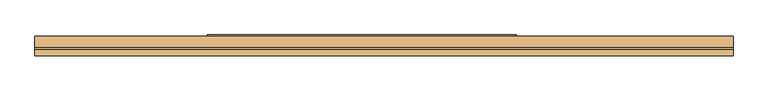
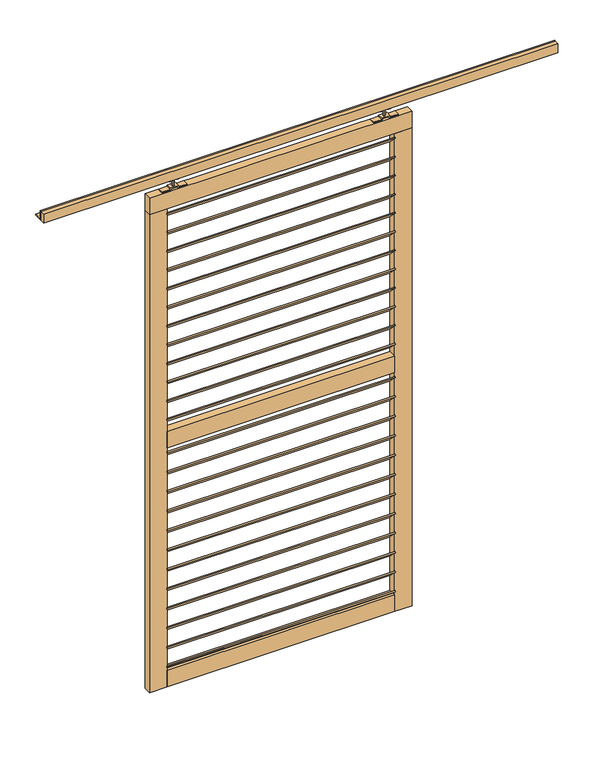
"""IFC4 building model written with IfcOpenShell, lengths in millimetres: door geometry."""

from ifc_helpers import new_model, si_unit, point, frame, frame_2d, origin, place, context, project, spatial, polyline, circle_curve, trimmed, segment, composite_curve, outline, extrude, source, transform, mapped, element, save


def door_3130aeb5(model_context):
    return source(origin(), model_context, "Body", "SweptSolid", [
        extrude(outline(polyline([(0.0, 60.0), (1040.0, 60.0), (1040.0, 0.0), (0.0, 0.0), (0.0, 60.0)])), frame((-522.5, -18.2383967, 2238.0363456), z_axis=(0.0, 0.707106781186547, 0.7071067811865482), x_axis=(1.0, 0.0, 0.0)), (0.0, 0.0, 1.0), 5.0),
        extrude(outline(polyline([(0.0, 60.0), (1040.0, 60.0), (1040.0, 0.0), (0.0, 0.0), (0.0, 60.0)])), frame((-522.5, -18.2383967, 1079.8999819), z_axis=(0.0, 0.707106781186547, 0.7071067811865482), x_axis=(1.0, 0.0, 0.0)), (0.0, 0.0, 1.0), 5.0),
        extrude(outline(polyline([(0.0, 60.0), (1040.0, 60.0), (1040.0, 0.0), (0.0, 0.0), (0.0, 60.0)])), frame((-522.5, -18.2383967, 2147.6272547), z_axis=(0.0, 0.707106781186547, 0.7071067811865482), x_axis=(1.0, 0.0, 0.0)), (0.0, 0.0, 1.0), 5.0),
        extrude(outline(polyline([(0.0, 60.0), (1040.0, 60.0), (1040.0, 0.0), (0.0, 0.0), (0.0, 60.0)])), frame((-522.5, -18.2383967, 2057.2181638), z_axis=(0.0, 0.707106781186547, 0.7071067811865482), x_axis=(1.0, 0.0, 0.0)), (0.0, 0.0, 1.0), 5.0),
        extrude(outline(polyline([(0.0, 60.0), (1040.0, 60.0), (1040.0, 0.0), (0.0, 0.0), (0.0, 60.0)])), frame((-522.5, -18.2383967, 1966.8090728), z_axis=(0.0, 0.707106781186547, 0.7071067811865482), x_axis=(1.0, 0.0, 0.0)), (0.0, 0.0, 1.0), 5.0),
        extrude(outline(polyline([(0.0, 60.0), (1040.0, 60.0), (1040.0, 0.0), (0.0, 0.0), (0.0, 60.0)])), frame((-522.5, -18.2383967, 1876.3999819), z_axis=(0.0, 0.707106781186547, 0.7071067811865482), x_axis=(1.0, 0.0, 0.0)), (0.0, 0.0, 1.0), 5.0),
        extrude(outline(polyline([(0.0, 60.0), (1040.0, 60.0), (1040.0, 0.0), (0.0, 0.0), (0.0, 60.0)])), frame((-522.5, -18.2383967, 985.8545274), z_axis=(0.0, 0.707106781186547, 0.7071067811865482), x_axis=(1.0, 0.0, 0.0)), (0.0, 0.0, 1.0), 5.0),
        extrude(outline(polyline([(0.0, 60.0), (1040.0, 60.0), (1040.0, 0.0), (0.0, 0.0), (0.0, 60.0)])), frame((-522.5, -18.2383967, 891.8090728), z_axis=(0.0, 0.707106781186547, 0.7071067811865482), x_axis=(1.0, 0.0, 0.0)), (0.0, 0.0, 1.0), 5.0),
        extrude(outline(polyline([(0.0, 60.0), (1040.0, 60.0), (1040.0, 0.0), (0.0, 0.0), (0.0, 60.0)])), frame((-522.5, -18.2383967, 797.7636183), z_axis=(0.0, 0.707106781186547, 0.7071067811865482), x_axis=(1.0, 0.0, 0.0)), (0.0, 0.0, 1.0), 5.0),
        extrude(outline(polyline([(0.0, 60.0), (1040.0, 60.0), (1040.0, 0.0), (0.0, 0.0), (0.0, 60.0)])), frame((-522.5, -18.2383967, 703.7181638), z_axis=(0.0, 0.707106781186547, 0.7071067811865482), x_axis=(1.0, 0.0, 0.0)), (0.0, 0.0, 1.0), 5.0),
        extrude(outline(polyline([(0.0, 60.0), (1040.0, 60.0), (1040.0, 0.0), (0.0, 0.0), (0.0, 60.0)])), frame((-522.5, -18.2383967, 1785.990891), z_axis=(0.0, 0.707106781186547, 0.7071067811865482), x_axis=(1.0, 0.0, 0.0)), (0.0, 0.0, 1.0), 5.0),
        extrude(outline(polyline([(0.0, 60.0), (1040.0, 60.0), (1040.0, 0.0), (0.0, 0.0), (0.0, 60.0)])), frame((-522.5, -18.2383967, 1695.5818001), z_axis=(0.0, 0.707106781186547, 0.7071067811865482), x_axis=(1.0, 0.0, 0.0)), (0.0, 0.0, 1.0), 5.0),
        extrude(outline(polyline([(0.0, 60.0), (1040.0, 60.0), (1040.0, 0.0), (0.0, 0.0), (0.0, 60.0)])), frame((-522.5, -18.2383967, 1605.1727092), z_axis=(0.0, 0.707106781186547, 0.7071067811865482), x_axis=(1.0, 0.0, 0.0)), (0.0, 0.0, 1.0), 5.0),
        extrude(outline(polyline([(0.0, 60.0), (1040.0, 60.0), (1040.0, 0.0), (0.0, 0.0), (0.0, 60.0)])), frame((-522.5, -18.2383967, 1514.7636183), z_axis=(0.0, 0.707106781186547, 0.7071067811865482), x_axis=(1.0, 0.0, 0.0)), (0.0, 0.0, 1.0), 5.0),
        extrude(outline(polyline([(0.0, 60.0), (1040.0, 60.0), (1040.0, 0.0), (0.0, 0.0), (0.0, 60.0)])), frame((-522.5, -18.2383967, 1424.3545274), z_axis=(0.0, 0.707106781186547, 0.7071067811865482), x_axis=(1.0, 0.0, 0.0)), (0.0, 0.0, 1.0), 5.0),
        extrude(outline(polyline([(0.0, 60.0), (1040.0, 60.0), (1040.0, 0.0), (0.0, 0.0), (0.0, 60.0)])), frame((-522.5, -18.2383967, 2328.4454365), z_axis=(0.0, 0.707106781186547, 0.7071067811865482), x_axis=(1.0, 0.0, 0.0)), (0.0, 0.0, 1.0), 5.0),
        extrude(outline(polyline([(0.0, 60.0), (1040.0, 60.0), (1040.0, 0.0), (0.0, 0.0), (0.0, 60.0)])), frame((-522.5, -18.2383967, 1333.9454365), z_axis=(0.0, 0.707106781186547, 0.7071067811865482), x_axis=(1.0, 0.0, 0.0)), (0.0, 0.0, 1.0), 5.0),
        extrude(outline(polyline([(0.0, 60.0), (1040.0, 60.0), (1040.0, 0.0), (0.0, 0.0), (0.0, 60.0)])), frame((-522.5, -18.2383967, 609.6727092), z_axis=(0.0, 0.707106781186547, 0.7071067811865482), x_axis=(1.0, 0.0, 0.0)), (0.0, 0.0, 1.0), 5.0),
        extrude(outline(polyline([(0.0, 60.0), (1040.0, 60.0), (1040.0, 0.0), (0.0, 0.0), (0.0, 60.0)])), frame((-522.5, -18.2383967, 515.6272547), z_axis=(0.0, 0.707106781186547, 0.7071067811865482), x_axis=(1.0, 0.0, 0.0)), (0.0, 0.0, 1.0), 5.0),
        extrude(outline(polyline([(0.0, 60.0), (1040.0, 60.0), (1040.0, 0.0), (0.0, 0.0), (0.0, 60.0)])), frame((-522.5, -18.2383967, 421.5818001), z_axis=(0.0, 0.707106781186547, 0.7071067811865482), x_axis=(1.0, 0.0, 0.0)), (0.0, 0.0, 1.0), 5.0),
        extrude(outline(polyline([(0.0, 60.0), (1040.0, 60.0), (1040.0, 0.0), (0.0, 0.0), (0.0, 60.0)])), frame((-522.5, -18.2383967, 327.5363456), z_axis=(0.0, 0.707106781186547, 0.7071067811865482), x_axis=(1.0, 0.0, 0.0)), (0.0, 0.0, 1.0), 5.0),
        extrude(outline(polyline([(0.0, 60.0), (1040.0, 60.0), (1040.0, 0.0), (0.0, 0.0), (0.0, 60.0)])), frame((-522.5, -18.2383967, 233.490891), z_axis=(0.0, 0.707106781186547, 0.7071067811865482), x_axis=(1.0, 0.0, 0.0)), (0.0, 0.0, 1.0), 5.0),
        extrude(outline(polyline([(0.0, 60.0), (1040.0, 60.0), (1040.0, 0.0), (0.0, 0.0), (0.0, 60.0)])), frame((-522.5, -18.2383967, 1173.9454365), z_axis=(0.0, 0.707106781186547, 0.7071067811865482), x_axis=(1.0, 0.0, 0.0)), (0.0, 0.0, 1.0), 5.0),
        extrude(outline(polyline([(0.0, 60.0), (1040.0, 60.0), (1040.0, 0.0), (0.0, 0.0), (0.0, 60.0)])), frame((-522.5, -18.2383967, 139.4454365), z_axis=(0.0, 0.707106781186547, 0.7071067811865482), x_axis=(1.0, 0.0, 0.0)), (0.0, 0.0, 1.0), 5.0),
        extrude(outline(polyline([(517.5, 22.2425737), (517.5, -12.7574263), (-522.5, -12.7574263), (-522.5, 22.2425737), (517.5, 22.2425737)])), frame((0.0, 0.0, 1194.5), z_axis=(0.0, 0.0, 1.0), x_axis=(1.0, 0.0, 0.0)), (0.0, 0.0, 1.0), 80.0),
        extrude(outline(polyline([(517.5, 22.2425737), (517.5, -12.7574263), (-522.5, -12.7574263), (-522.5, 22.2425737), (517.5, 22.2425737)])), frame((0.0, 0.0, 40.0), z_axis=(0.0, 0.0, 1.0), x_axis=(1.0, 0.0, 0.0)), (0.0, 0.0, 1.0), 80.0),
        extrude(outline(polyline([(597.5, 22.2425737), (597.5, -12.7574263), (-602.5, -12.7574263), (-602.5, 22.2425737), (597.5, 22.2425737)])), frame((0.0, 0.0, 2349.0), z_axis=(0.0, 0.0, 1.0), x_axis=(1.0, 0.0, 0.0)), (0.0, 0.0, 1.0), 80.0),
        extrude(outline(polyline([(-522.5, 22.2425737), (-522.5, -12.7574263), (-602.5, -12.7574263), (-602.5, 22.2425737), (-522.5, 22.2425737)])), frame((0.0, 0.0, 40.0), z_axis=(0.0, 0.0, 1.0), x_axis=(1.0, 0.0, 0.0)), (0.0, 0.0, 1.0), 2309.0),
        extrude(outline(polyline([(597.5, 22.2425737), (597.5, -12.7574263), (517.5, -12.7574263), (517.5, 22.2425737), (597.5, 22.2425737)])), frame((0.0, 0.0, 40.0), z_axis=(0.0, 0.0, 1.0), x_axis=(1.0, 0.0, 0.0)), (0.0, 0.0, 1.0), 2309.0),
        extrude(outline(composite_curve([segment(trimmed(circle_curve(frame_2d((2482.430297, -504.25)), 13.5), [point((2482.430297, -517.75))], [point((2482.430297, -490.75))], False, "CARTESIAN"), True, "CONTINUOUS"), segment(trimmed(circle_curve(frame_2d((2482.430297, -504.25)), 13.5), [point((2482.430297, -490.75))], [point((2482.430297, -517.75))], False, "CARTESIAN"), True, "CONTINUOUS")], self_intersect=False)), frame((0.0, 8.7425737, 0.0), z_axis=(0.0, 1.0, 0.0), x_axis=(0.0, 0.0, 1.0)), (0.0, 0.0, 1.0), 5.2084151),
        extrude(outline(composite_curve([segment(trimmed(circle_curve(frame_2d((2482.430297, -466.75)), 13.5), [point((2482.430297, -453.25))], [point((2482.430297, -480.25))], False, "CARTESIAN"), True, "CONTINUOUS"), segment(trimmed(circle_curve(frame_2d((2482.430297, -466.75)), 13.5), [point((2482.430297, -480.25))], [point((2482.430297, -453.25))], False, "CARTESIAN"), True, "CONTINUOUS")], self_intersect=False)), frame((0.0, 8.7425737, 0.0), z_axis=(0.0, 1.0, 0.0), x_axis=(0.0, 0.0, 1.0)), (0.0, 0.0, 1.0), 5.2084151),
        extrude(outline(composite_curve([segment(trimmed(circle_curve(frame_2d((2482.430297, -504.25)), 13.5), [point((2482.430297, -517.75))], [point((2482.430297, -490.75))], False, "CARTESIAN"), True, "CONTINUOUS"), segment(trimmed(circle_curve(frame_2d((2482.430297, -504.25)), 13.5), [point((2482.430297, -490.75))], [point((2482.430297, -517.75))], False, "CARTESIAN"), True, "CONTINUOUS")], self_intersect=False)), frame((0.0, -4.3454816, 0.0), z_axis=(0.0, 1.0, 0.0), x_axis=(0.0, 0.0, 1.0)), (0.0, 0.0, 1.0), 5.0880554),
        extrude(outline(composite_curve([segment(trimmed(circle_curve(frame_2d((2482.430297, -466.75)), 13.5), [point((2482.430297, -453.25))], [point((2482.430297, -480.25))], False, "CARTESIAN"), True, "CONTINUOUS"), segment(trimmed(circle_curve(frame_2d((2482.430297, -466.75)), 13.5), [point((2482.430297, -480.25))], [point((2482.430297, -453.25))], False, "CARTESIAN"), True, "CONTINUOUS")], self_intersect=False)), frame((0.0, -4.3454816, 0.0), z_axis=(0.0, 1.0, 0.0), x_axis=(0.0, 0.0, 1.0)), (0.0, 0.0, 1.0), 5.0880554),
        extrude(outline(polyline([(-520.5, 15.2425737), (-450.5, 15.2425737), (-450.5, -5.7574263), (-520.5, -5.7574263), (-520.5, 15.2425737)])), frame((0.0, 0.0, 2474.5), z_axis=(0.0, 0.0, 1.0), x_axis=(1.0, 0.0, 0.0)), (0.0, 0.0, 1.0), 13.0),
        extrude(outline(polyline([(-489.5, 8.7425737), (-481.5, 8.7425737), (-481.5, 0.7425737), (-489.5, 0.7425737), (-489.5, 8.7425737)])), frame((0.0, 0.0, 2433.0), z_axis=(0.0, 0.0, 1.0), x_axis=(1.0, 0.0, 0.0)), (0.0, 0.0, 1.0), 56.0),
        extrude(outline(polyline([(2433.0, -428.5), (2433.0, -466.5), (2439.0, -466.5), (2439.0, -504.5), (2433.0, -504.5), (2433.0, -542.5), (2429.0, -542.5), (2429.0, -500.5), (2435.0, -500.5), (2435.0, -470.5), (2429.0, -470.5), (2429.0, -428.5), (2433.0, -428.5)])), frame((0.0, -8.2574263, 0.0), z_axis=(0.0, 1.0, 0.0), x_axis=(0.0, 0.0, 1.0)), (0.0, 0.0, 1.0), 26.0),
        extrude(outline(composite_curve([segment(trimmed(circle_curve(frame_2d((2482.430297, 499.25)), 13.5), [point((2482.430297, 512.75))], [point((2482.430297, 485.75))], False, "CARTESIAN"), True, "CONTINUOUS"), segment(trimmed(circle_curve(frame_2d((2482.430297, 499.25)), 13.5), [point((2482.430297, 485.75))], [point((2482.430297, 512.75))], False, "CARTESIAN"), True, "CONTINUOUS")], self_intersect=False)), frame((0.0, 8.7425737, 0.0), z_axis=(0.0, 1.0, 0.0), x_axis=(0.0, 0.0, 1.0)), (0.0, 0.0, 1.0), 5.2084151),
        extrude(outline(composite_curve([segment(trimmed(circle_curve(frame_2d((2482.430297, 461.75)), 13.5), [point((2482.430297, 448.25))], [point((2482.430297, 475.25))], False, "CARTESIAN"), True, "CONTINUOUS"), segment(trimmed(circle_curve(frame_2d((2482.430297, 461.75)), 13.5), [point((2482.430297, 475.25))], [point((2482.430297, 448.25))], False, "CARTESIAN"), True, "CONTINUOUS")], self_intersect=False)), frame((0.0, 8.7425737, 0.0), z_axis=(0.0, 1.0, 0.0), x_axis=(0.0, 0.0, 1.0)), (0.0, 0.0, 1.0), 5.2084151),
        extrude(outline(composite_curve([segment(trimmed(circle_curve(frame_2d((2482.430297, 499.25)), 13.5), [point((2482.430297, 512.75))], [point((2482.430297, 485.75))], False, "CARTESIAN"), True, "CONTINUOUS"), segment(trimmed(circle_curve(frame_2d((2482.430297, 499.25)), 13.5), [point((2482.430297, 485.75))], [point((2482.430297, 512.75))], False, "CARTESIAN"), True, "CONTINUOUS")], self_intersect=False)), frame((0.0, -4.3454816, 0.0), z_axis=(0.0, 1.0, 0.0), x_axis=(0.0, 0.0, 1.0)), (0.0, 0.0, 1.0), 5.0880554),
        extrude(outline(composite_curve([segment(trimmed(circle_curve(frame_2d((2482.430297, 461.75)), 13.5), [point((2482.430297, 448.25))], [point((2482.430297, 475.25))], False, "CARTESIAN"), True, "CONTINUOUS"), segment(trimmed(circle_curve(frame_2d((2482.430297, 461.75)), 13.5), [point((2482.430297, 475.25))], [point((2482.430297, 448.25))], False, "CARTESIAN"), True, "CONTINUOUS")], self_intersect=False)), frame((0.0, -4.3454816, 0.0), z_axis=(0.0, 1.0, 0.0), x_axis=(0.0, 0.0, 1.0)), (0.0, 0.0, 1.0), 5.0880554),
        extrude(outline(polyline([(515.5, 15.2425737), (515.5, -5.7574263), (445.5, -5.7574263), (445.5, 15.2425737), (515.5, 15.2425737)])), frame((0.0, 0.0, 2474.5), z_axis=(0.0, 0.0, 1.0), x_axis=(1.0, 0.0, 0.0)), (0.0, 0.0, 1.0), 13.0),
        extrude(outline(polyline([(484.5, 8.7425737), (484.5, 0.7425737), (476.5, 0.7425737), (476.5, 8.7425737), (484.5, 8.7425737)])), frame((0.0, 0.0, 2433.0), z_axis=(0.0, 0.0, 1.0), x_axis=(1.0, 0.0, 0.0)), (0.0, 0.0, 1.0), 56.0),
        extrude(outline(polyline([(2433.0, 423.5), (2429.0, 423.5), (2429.0, 465.5), (2435.0, 465.5), (2435.0, 495.5), (2429.0, 495.5), (2429.0, 537.5), (2433.0, 537.5), (2433.0, 499.5), (2439.0, 499.5), (2439.0, 461.5), (2433.0, 461.5), (2433.0, 423.5)])), frame((0.0, -8.2574263, 0.0), z_axis=(0.0, 1.0, 0.0), x_axis=(0.0, 0.0, 1.0)), (0.0, 0.0, 1.0), 26.0),
        extrude(outline(polyline([(1247.5, -42.0), (-1102.5, -42.0), (-1102.5, -22.0), (1247.5, -22.0), (1247.5, -42.0)])), frame((0.0, 0.0, 2500.0), z_axis=(0.0, 0.0, 1.0), x_axis=(1.0, 0.0, 0.0)), (0.0, 0.0, 1.0), 45.0),
        extrude(outline(polyline([(-16.25, 2545.0), (-16.25, 2505.0), (23.0, 2505.0), (23.0, 2500.0), (-22.0, 2500.0), (-22.0, 2545.0), (-16.25, 2545.0)])), frame((-1102.5, 0.0, 0.0), z_axis=(1.0, 0.0, 0.0), x_axis=(0.0, 1.0, 0.0)), (0.0, 0.0, 1.0), 2350.0),
    ])


if __name__ == "__main__":
    model = new_model("IFC4")
    model_context = context("Model", 3, world=origin())
    ifc_project = project(units=[si_unit("LENGTHUNIT", "METRE", prefix="MILLI")], contexts=[model_context])
    site = spatial("IfcSite", under=ifc_project)
    building = spatial("IfcBuilding", under=site)
    placement = place(None, origin())
    door_shape = door_3130aeb5(model_context)
    element("IfcDoor", 1, at=placement, inside=building, context=model_context, shape_type="MappedRepresentation", body=[
        mapped(door_shape, transform((0.0, 0.0, 0.0), x_axis=(1.0, 0.0, 0.0), y_axis=(0.0, 1.0, 0.0), z_axis=(0.0, 0.0, 1.0))),
    ])
    save(model, "model.ifc")
